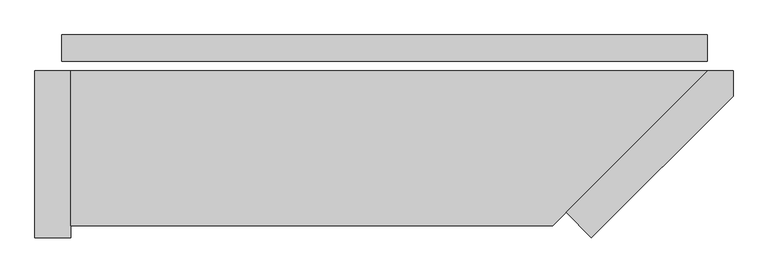
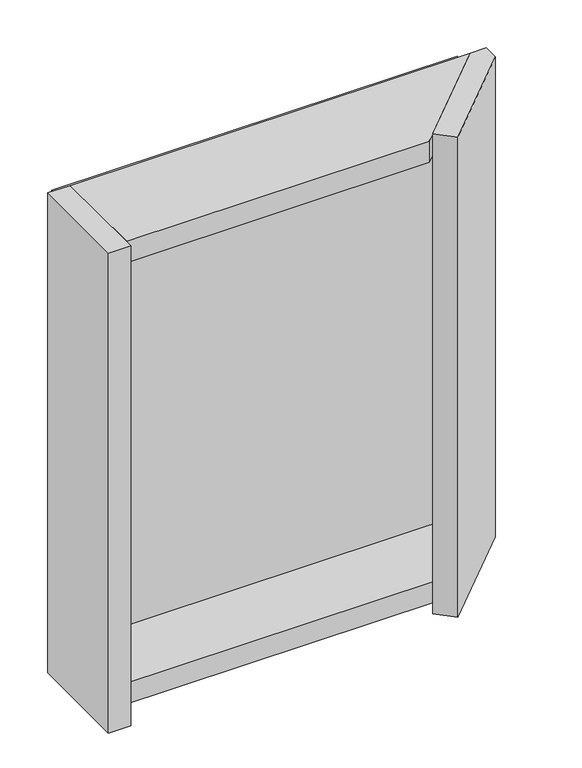
"""IFC4 building model written with IfcOpenShell, lengths in millimetres: plate geometry."""

import ifcopenshell
import ifcopenshell.guid

model = None  # the IFC model being written
_history = None  # IfcOwnerHistory: only IFC2X3 demands one
_inside = {}  # id of a spatial element -> (the spatial element, [elements in it])
_under = {}  # id of a project, library or spatial element -> (it, [spatial elements below it])
_declared = {}  # id of a project -> (the project, [libraries it declares])
_typed = {}  # id of a type object -> (the type object, [elements of that type])
_made_of = {}  # id of a material, layer set ... -> (it, [elements and type objects made of it])


def new_model(schema):
    """Start an empty IFC model of exactly this schema.

    Asked for "IFC4X3", IfcOpenShell would pick the latest addendum, in which some entities
    have other attributes; the version numbers below select the first issue.
    IFC2X3 requires an IfcOwnerHistory on every rooted entity: one is made here for all.
    """
    global model, _history
    if schema == "IFC4X3":
        model = ifcopenshell.file(schema_version=(4, 3, 0, 0))
    else:
        model = ifcopenshell.file(schema=schema)
    _inside.clear()
    _under.clear()
    _declared.clear()
    _typed.clear()
    _made_of.clear()
    _history = None
    if model.schema == "IFC2X3":
        org = make("IfcOrganization", Name="unknown")
        user = make(
            "IfcPersonAndOrganization",
            ThePerson=make("IfcPerson", FamilyName="unknown"),
            TheOrganization=org,
        )
        app = make(
            "IfcApplication",
            ApplicationDeveloper=org,
            Version="unknown",
            ApplicationFullName="unknown",
            ApplicationIdentifier="unknown",
        )
        _history = make(
            "IfcOwnerHistory",
            OwningUser=user,
            OwningApplication=app,
            ChangeAction="ADDED",
            CreationDate=0,
        )
    return model


def make(cls, **values):
    """One entity of the class cls with the attributes given. An attribute that is None is left unset."""
    return model.create_entity(
        cls, **{name: value for name, value in values.items() if value is not None}
    )


def rooted(cls, **values):
    """An entity with a GlobalId (a new one), such as an element, a storey or a relation."""
    return make(cls, GlobalId=ifcopenshell.guid.new(), OwnerHistory=_history, **values)


def si_unit(unit_type, name, prefix=None):
    """IfcSIUnit, for example si_unit("LENGTHUNIT", "METRE", prefix="MILLI")."""
    return make("IfcSIUnit", UnitType=unit_type, Prefix=prefix, Name=name)


def assignment(units):
    """IfcUnitAssignment: the units of a project."""
    return None if units is None else make("IfcUnitAssignment", Units=units)


def point(xyz):
    """IfcCartesianPoint."""
    return None if xyz is None else make("IfcCartesianPoint", Coordinates=xyz)


def direction(xyz):
    """IfcDirection."""
    return None if xyz is None else make("IfcDirection", DirectionRatios=xyz)


def frame(location, z_axis=None, x_axis=None):
    """IfcAxis2Placement3D, a coordinate frame: its origin and axes. An axis left out is left unset."""
    return make(
        "IfcAxis2Placement3D",
        Location=point(location),
        Axis=direction(z_axis),
        RefDirection=direction(x_axis),
    )


def origin():
    """The frame at (0, 0, 0) with its axes left unset."""
    return frame((0.0, 0.0, 0.0))


def origin_with_axes():
    """The frame at (0, 0, 0) with the z axis (0, 0, 1) and the x axis (1, 0, 0) written out."""
    return frame((0.0, 0.0, 0.0), z_axis=(0.0, 0.0, 1.0), x_axis=(1.0, 0.0, 0.0))


def place(relative_to, where):
    """IfcLocalPlacement: puts the frame where relative to a parent placement (None: the world)."""
    return make(
        "IfcLocalPlacement", PlacementRelTo=relative_to, RelativePlacement=where
    )


def context(
    kind, dimensions, precision=None, world=None, true_north=None, identifier=None
):
    """IfcGeometricRepresentationContext, for example the 3D "Model" context."""
    return make(
        "IfcGeometricRepresentationContext",
        ContextIdentifier=identifier,
        ContextType=kind,
        CoordinateSpaceDimension=dimensions,
        Precision=precision,
        WorldCoordinateSystem=world,
        TrueNorth=true_north,
    )


def project(units=None, contexts=None):
    """IfcProject with its units and contexts."""
    return rooted(
        "IfcProject",
        Name="project",
        RepresentationContexts=contexts,
        UnitsInContext=assignment(units),
    )


def spatial(cls, under=None, at=None, **own):
    """A site, building, storey or space (cls), placed at a placement, below another one or the project."""
    s = rooted(cls, ObjectPlacement=at, **own)
    if under is not None:
        _under.setdefault(under.id(), (under, []))[1].append(s)
    return s


def polyline(points):
    """IfcPolyline through the points."""
    return make("IfcPolyline", Points=[point(p) for p in points])


def outline(outer, holes=None, kind="AREA"):
    """IfcArbitraryClosedProfileDef: a profile drawn as a closed curve; with holes, ...WithVoids."""
    if holes is None:
        return make("IfcArbitraryClosedProfileDef", ProfileType=kind, OuterCurve=outer)
    return make(
        "IfcArbitraryProfileDefWithVoids",
        ProfileType=kind,
        OuterCurve=outer,
        InnerCurves=holes,
    )


def extrude(swept, where, along, depth):
    """IfcExtrudedAreaSolid: the profile swept, set in the frame where, extruded along a direction by depth."""
    return make(
        "IfcExtrudedAreaSolid",
        SweptArea=swept,
        Position=where,
        ExtrudedDirection=direction(along),
        Depth=depth,
    )


def shape(context_of_items, identifier, shape_type, items):
    """IfcShapeRepresentation: the items that make up one representation, for example the "Body"."""
    return make(
        "IfcShapeRepresentation",
        ContextOfItems=context_of_items,
        RepresentationIdentifier=identifier,
        RepresentationType=shape_type,
        Items=items,
    )


def source(mapping_origin, context_of_items, identifier, shape_type, items):
    """IfcRepresentationMap: a shape defined once, which mapped items show again and again."""
    return make(
        "IfcRepresentationMap",
        MappingOrigin=mapping_origin,
        MappedRepresentation=shape(context_of_items, identifier, shape_type, items),
    )


def transform(
    local_origin,
    x_axis=None,
    y_axis=None,
    z_axis=None,
    scale=None,
    scale2=None,
    scale3=None,
    uniform=True,
):
    """IfcCartesianTransformationOperator3D, or its non-uniform kind. x_axis, y_axis, z_axis: its Axis1, 2, 3."""
    if uniform:
        return make(
            "IfcCartesianTransformationOperator3D",
            Axis1=direction(x_axis),
            Axis2=direction(y_axis),
            LocalOrigin=point(local_origin),
            Scale=scale,
            Axis3=direction(z_axis),
        )
    return make(
        "IfcCartesianTransformationOperator3DnonUniform",
        Axis1=direction(x_axis),
        Axis2=direction(y_axis),
        LocalOrigin=point(local_origin),
        Scale=scale,
        Axis3=direction(z_axis),
        Scale2=scale2,
        Scale3=scale3,
    )


def mapped(mapping_source, mapping_target):
    """IfcMappedItem: shows the shape of a source again, moved by a transform."""
    return make(
        "IfcMappedItem", MappingSource=mapping_source, MappingTarget=mapping_target
    )


def made_of(thing, what):
    """Note that an element or type object is made of a material, layer set ...; save() writes the relation."""
    if what is not None:
        _made_of.setdefault(what.id(), (what, []))[1].append(thing)
    return thing


def element(
    cls,
    number,
    at=None,
    inside=None,
    cuts=None,
    type_object=None,
    material=None,
    context=None,
    identifier="Body",
    shape_type=None,
    held_by="IfcProductDefinitionShape",
    body=None,
    shapes=None,
    **own,
):
    """One element of the class cls, such as IfcWall. Its Tag is "e" and its number.

    at: its placement. inside: the storey or other place that contains it. cuts: it is an
    opening in that element (IfcRelVoidsElement). A single representation is given by context,
    identifier, shape_type and body (its items); several are given by shapes. held_by: the class
    of the entity that holds the representations. save() writes the other relations.
    """
    e = rooted(cls, Tag="e%d" % number, ObjectPlacement=at, **own)
    if body is not None:
        shapes = [shape(context, identifier, shape_type, body)]
    if shapes is not None:
        e.Representation = make(held_by, Representations=shapes)
    if inside is not None:
        _inside.setdefault(inside.id(), (inside, []))[1].append(e)
    if cuts is not None:
        rooted(
            "IfcRelVoidsElement", RelatingBuildingElement=cuts, RelatedOpeningElement=e
        )
    if type_object is not None:
        _typed.setdefault(type_object.id(), (type_object, []))[1].append(e)
    return made_of(e, material)


def aggregate(whole, parts):
    """IfcRelAggregates: a whole, such as a stair, and the parts it consists of."""
    return rooted("IfcRelAggregates", RelatingObject=whole, RelatedObjects=parts)


def save(model, path):
    """Write the relations noted so far, then the file.

    IfcRelAggregates (storeys below a building ...), IfcRelContainedInSpatialStructure (elements
    in a storey), IfcRelDefinesByType, IfcRelAssociatesMaterial and IfcRelDeclares: one each for
    every whole, place, type object, material and project.
    """
    for whole, parts in _under.values():
        aggregate(whole, parts)
    for where, things in _inside.values():
        rooted(
            "IfcRelContainedInSpatialStructure",
            RelatedElements=things,
            RelatingStructure=where,
        )
    for kind, things in _typed.values():
        rooted("IfcRelDefinesByType", RelatedObjects=things, RelatingType=kind)
    for what, things in _made_of.values():
        rooted("IfcRelAssociatesMaterial", RelatedObjects=things, RelatingMaterial=what)
    for by, libraries in _declared.values():
        rooted("IfcRelDeclares", RelatingContext=by, RelatedDefinitions=libraries)
    model.write(path)


def plate_7075cbe5(model_context):
    return source(origin(), model_context, "Body", "SweptSolid", [
        extrude(outline(polyline([(541.0, 0.0), (541.0, -44.0), (-541.0, -44.0), (-541.0, 0.0), (541.0, 0.0)])), origin_with_axes(), (0.0, 0.0, 1.0), 1264.465707),
        extrude(outline(polyline([(304.0, -297.5735931), (541.5735931, -60.0), (584.0, -60.0), (584.0, -102.4264069), (346.4264069, -340.0), (304.0, -297.5735931)])), frame((0.0, 0.0, -45.0), z_axis=(0.0, 0.0, 1.0), x_axis=(1.0, 0.0, 0.0)), (0.0, 0.0, 1.0), 1354.465707),
        extrude(outline(polyline([(-526.0, -320.0), (-526.0, -60.0), (541.5735931, -60.0), (281.5735931, -320.0), (-526.0, -320.0)])), frame((0.0, 0.0, 1249.465707), z_axis=(0.0, 0.0, 1.0), x_axis=(1.0, 0.0, 0.0)), (0.0, 0.0, 1.0), 60.0),
        extrude(outline(polyline([(-526.0, -260.0), (-526.0, -60.0), (541.5735931, -60.0), (341.5735931, -260.0), (-526.0, -260.0)])), frame((0.0, 0.0, -45.0), z_axis=(0.0, 0.0, 1.0), x_axis=(1.0, 0.0, 0.0)), (0.0, 0.0, 1.0), 60.0),
        extrude(outline(polyline([(-586.0, -60.0), (-526.0, -60.0), (-526.0, -340.0), (-586.0, -340.0), (-586.0, -60.0)])), frame((0.0, 0.0, -45.0), z_axis=(0.0, 0.0, 1.0), x_axis=(1.0, 0.0, 0.0)), (0.0, 0.0, 1.0), 1354.465707),
    ])


if __name__ == "__main__":
    model = new_model("IFC4")
    model_context = context("Model", 3, world=origin())
    ifc_project = project(units=[si_unit("LENGTHUNIT", "METRE", prefix="MILLI")], contexts=[model_context])
    site = spatial("IfcSite", under=ifc_project)
    building = spatial("IfcBuilding", under=site)
    placement = place(None, origin())
    plate_shape = plate_7075cbe5(model_context)
    element("IfcPlate", 1, at=placement, inside=building, context=model_context, shape_type="MappedRepresentation", body=[
        mapped(plate_shape, transform((0.0, 0.0, 0.0), x_axis=(1.0, 0.0, 0.0), y_axis=(0.0, 1.0, 0.0), z_axis=(0.0, 0.0, 1.0))),
    ])
    save(model, "model.ifc")
